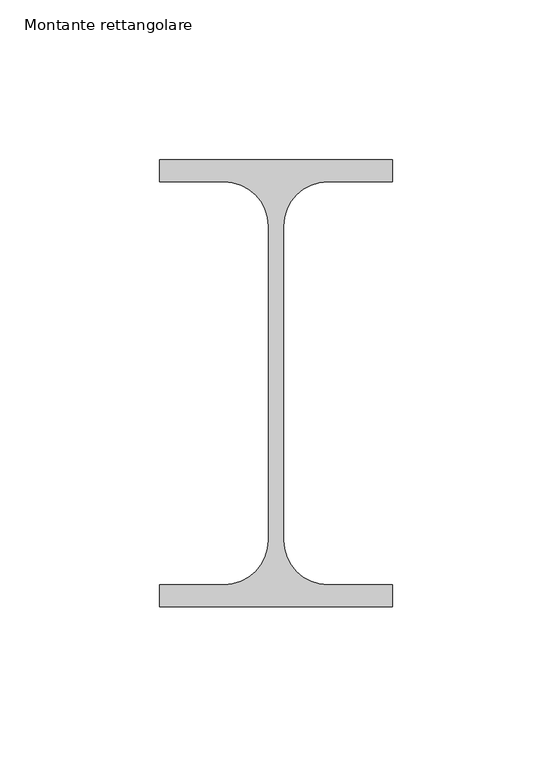
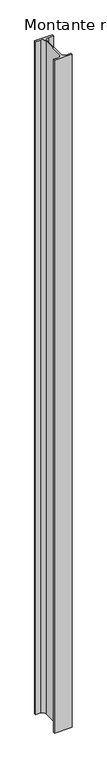
"""IFC4 building model written with IfcOpenShell, lengths in millimetres: member geometry, Montante rettangolare."""

import ifcopenshell
import ifcopenshell.guid

model = None  # the IFC model being written
_history = None  # IfcOwnerHistory: only IFC2X3 demands one
_inside = {}  # id of a spatial element -> (the spatial element, [elements in it])
_under = {}  # id of a project, library or spatial element -> (it, [spatial elements below it])
_declared = {}  # id of a project -> (the project, [libraries it declares])
_typed = {}  # id of a type object -> (the type object, [elements of that type])
_made_of = {}  # id of a material, layer set ... -> (it, [elements and type objects made of it])


def new_model(schema):
    """Start an empty IFC model of exactly this schema.

    Asked for "IFC4X3", IfcOpenShell would pick the latest addendum, in which some entities
    have other attributes; the version numbers below select the first issue.
    IFC2X3 requires an IfcOwnerHistory on every rooted entity: one is made here for all.
    """
    global model, _history
    if schema == "IFC4X3":
        model = ifcopenshell.file(schema_version=(4, 3, 0, 0))
    else:
        model = ifcopenshell.file(schema=schema)
    _inside.clear()
    _under.clear()
    _declared.clear()
    _typed.clear()
    _made_of.clear()
    _history = None
    if model.schema == "IFC2X3":
        org = make("IfcOrganization", Name="unknown")
        user = make(
            "IfcPersonAndOrganization",
            ThePerson=make("IfcPerson", FamilyName="unknown"),
            TheOrganization=org,
        )
        app = make(
            "IfcApplication",
            ApplicationDeveloper=org,
            Version="unknown",
            ApplicationFullName="unknown",
            ApplicationIdentifier="unknown",
        )
        _history = make(
            "IfcOwnerHistory",
            OwningUser=user,
            OwningApplication=app,
            ChangeAction="ADDED",
            CreationDate=0,
        )
    return model


def make(cls, **values):
    """One entity of the class cls with the attributes given. An attribute that is None is left unset."""
    return model.create_entity(
        cls, **{name: value for name, value in values.items() if value is not None}
    )


def rooted(cls, **values):
    """An entity with a GlobalId (a new one), such as an element, a storey or a relation."""
    return make(cls, GlobalId=ifcopenshell.guid.new(), OwnerHistory=_history, **values)


def si_unit(unit_type, name, prefix=None):
    """IfcSIUnit, for example si_unit("LENGTHUNIT", "METRE", prefix="MILLI")."""
    return make("IfcSIUnit", UnitType=unit_type, Prefix=prefix, Name=name)


def assignment(units):
    """IfcUnitAssignment: the units of a project."""
    return None if units is None else make("IfcUnitAssignment", Units=units)


def point(xyz):
    """IfcCartesianPoint."""
    return None if xyz is None else make("IfcCartesianPoint", Coordinates=xyz)


def direction(xyz):
    """IfcDirection."""
    return None if xyz is None else make("IfcDirection", DirectionRatios=xyz)


def frame(location, z_axis=None, x_axis=None):
    """IfcAxis2Placement3D, a coordinate frame: its origin and axes. An axis left out is left unset."""
    return make(
        "IfcAxis2Placement3D",
        Location=point(location),
        Axis=direction(z_axis),
        RefDirection=direction(x_axis),
    )


def frame_2d(location, x_axis=None):
    """IfcAxis2Placement2D, a coordinate frame in the plane: its origin and x axis."""
    return make(
        "IfcAxis2Placement2D", Location=point(location), RefDirection=direction(x_axis)
    )


def origin():
    """The frame at (0, 0, 0) with its axes left unset."""
    return frame((0.0, 0.0, 0.0))


def place(relative_to, where):
    """IfcLocalPlacement: puts the frame where relative to a parent placement (None: the world)."""
    return make(
        "IfcLocalPlacement", PlacementRelTo=relative_to, RelativePlacement=where
    )


def context(
    kind, dimensions, precision=None, world=None, true_north=None, identifier=None
):
    """IfcGeometricRepresentationContext, for example the 3D "Model" context."""
    return make(
        "IfcGeometricRepresentationContext",
        ContextIdentifier=identifier,
        ContextType=kind,
        CoordinateSpaceDimension=dimensions,
        Precision=precision,
        WorldCoordinateSystem=world,
        TrueNorth=true_north,
    )


def project(units=None, contexts=None):
    """IfcProject with its units and contexts."""
    return rooted(
        "IfcProject",
        Name="project",
        RepresentationContexts=contexts,
        UnitsInContext=assignment(units),
    )


def spatial(cls, under=None, at=None, **own):
    """A site, building, storey or space (cls), placed at a placement, below another one or the project."""
    s = rooted(cls, ObjectPlacement=at, **own)
    if under is not None:
        _under.setdefault(under.id(), (under, []))[1].append(s)
    return s


def polyline(points):
    """IfcPolyline through the points."""
    return make("IfcPolyline", Points=[point(p) for p in points])


def circle_curve(where, radius):
    """IfcCircle in the frame where."""
    return make("IfcCircle", Position=where, Radius=radius)


def trimmed(basis, trim1, trim2, sense, master):
    """IfcTrimmedCurve: the piece of a basis curve between two trims."""
    return make(
        "IfcTrimmedCurve",
        BasisCurve=basis,
        Trim1=trim1,
        Trim2=trim2,
        SenseAgreement=sense,
        MasterRepresentation=master,
    )


def segment(curve, same_sense, transition):
    """IfcCompositeCurveSegment."""
    return make(
        "IfcCompositeCurveSegment",
        Transition=transition,
        SameSense=same_sense,
        ParentCurve=curve,
    )


def composite_curve(segments, self_intersect=None):
    """IfcCompositeCurve: segments joined end to end."""
    return make("IfcCompositeCurve", Segments=segments, SelfIntersect=self_intersect)


def outline(outer, holes=None, kind="AREA"):
    """IfcArbitraryClosedProfileDef: a profile drawn as a closed curve; with holes, ...WithVoids."""
    if holes is None:
        return make("IfcArbitraryClosedProfileDef", ProfileType=kind, OuterCurve=outer)
    return make(
        "IfcArbitraryProfileDefWithVoids",
        ProfileType=kind,
        OuterCurve=outer,
        InnerCurves=holes,
    )


def extrude(swept, where, along, depth):
    """IfcExtrudedAreaSolid: the profile swept, set in the frame where, extruded along a direction by depth."""
    return make(
        "IfcExtrudedAreaSolid",
        SweptArea=swept,
        Position=where,
        ExtrudedDirection=direction(along),
        Depth=depth,
    )


def shape(context_of_items, identifier, shape_type, items):
    """IfcShapeRepresentation: the items that make up one representation, for example the "Body"."""
    return make(
        "IfcShapeRepresentation",
        ContextOfItems=context_of_items,
        RepresentationIdentifier=identifier,
        RepresentationType=shape_type,
        Items=items,
    )


def source(mapping_origin, context_of_items, identifier, shape_type, items):
    """IfcRepresentationMap: a shape defined once, which mapped items show again and again."""
    return make(
        "IfcRepresentationMap",
        MappingOrigin=mapping_origin,
        MappedRepresentation=shape(context_of_items, identifier, shape_type, items),
    )


def transform(
    local_origin,
    x_axis=None,
    y_axis=None,
    z_axis=None,
    scale=None,
    scale2=None,
    scale3=None,
    uniform=True,
):
    """IfcCartesianTransformationOperator3D, or its non-uniform kind. x_axis, y_axis, z_axis: its Axis1, 2, 3."""
    if uniform:
        return make(
            "IfcCartesianTransformationOperator3D",
            Axis1=direction(x_axis),
            Axis2=direction(y_axis),
            LocalOrigin=point(local_origin),
            Scale=scale,
            Axis3=direction(z_axis),
        )
    return make(
        "IfcCartesianTransformationOperator3DnonUniform",
        Axis1=direction(x_axis),
        Axis2=direction(y_axis),
        LocalOrigin=point(local_origin),
        Scale=scale,
        Axis3=direction(z_axis),
        Scale2=scale2,
        Scale3=scale3,
    )


def mapped(mapping_source, mapping_target):
    """IfcMappedItem: shows the shape of a source again, moved by a transform."""
    return make(
        "IfcMappedItem", MappingSource=mapping_source, MappingTarget=mapping_target
    )


def made_of(thing, what):
    """Note that an element or type object is made of a material, layer set ...; save() writes the relation."""
    if what is not None:
        _made_of.setdefault(what.id(), (what, []))[1].append(thing)
    return thing


def element(
    cls,
    number,
    at=None,
    inside=None,
    cuts=None,
    type_object=None,
    material=None,
    context=None,
    identifier="Body",
    shape_type=None,
    held_by="IfcProductDefinitionShape",
    body=None,
    shapes=None,
    **own,
):
    """One element of the class cls, such as IfcWall. Its Tag is "e" and its number.

    at: its placement. inside: the storey or other place that contains it. cuts: it is an
    opening in that element (IfcRelVoidsElement). A single representation is given by context,
    identifier, shape_type and body (its items); several are given by shapes. held_by: the class
    of the entity that holds the representations. save() writes the other relations.
    """
    e = rooted(cls, Tag="e%d" % number, ObjectPlacement=at, **own)
    if body is not None:
        shapes = [shape(context, identifier, shape_type, body)]
    if shapes is not None:
        e.Representation = make(held_by, Representations=shapes)
    if inside is not None:
        _inside.setdefault(inside.id(), (inside, []))[1].append(e)
    if cuts is not None:
        rooted(
            "IfcRelVoidsElement", RelatingBuildingElement=cuts, RelatedOpeningElement=e
        )
    if type_object is not None:
        _typed.setdefault(type_object.id(), (type_object, []))[1].append(e)
    return made_of(e, material)


def aggregate(whole, parts):
    """IfcRelAggregates: a whole, such as a stair, and the parts it consists of."""
    return rooted("IfcRelAggregates", RelatingObject=whole, RelatedObjects=parts)


def save(model, path):
    """Write the relations noted so far, then the file.

    IfcRelAggregates (storeys below a building ...), IfcRelContainedInSpatialStructure (elements
    in a storey), IfcRelDefinesByType, IfcRelAssociatesMaterial and IfcRelDeclares: one each for
    every whole, place, type object, material and project.
    """
    for whole, parts in _under.values():
        aggregate(whole, parts)
    for where, things in _inside.values():
        rooted(
            "IfcRelContainedInSpatialStructure",
            RelatedElements=things,
            RelatingStructure=where,
        )
    for kind, things in _typed.values():
        rooted("IfcRelDefinesByType", RelatedObjects=things, RelatingType=kind)
    for what, things in _made_of.values():
        rooted("IfcRelAssociatesMaterial", RelatedObjects=things, RelatingMaterial=what)
    for by, libraries in _declared.values():
        rooted("IfcRelDeclares", RelatingContext=by, RelatedDefinitions=libraries)
    model.write(path)


def montante_rettangolare_cb8553fe(model_context):
    return source(origin(), model_context, "Body", "SweptSolid", [
        extrude(outline(composite_curve([segment(polyline([(0.0, -13.1), (0.0, -20.0), (-73.0, -20.0), (-73.0, -13.1), (-52.75, -13.1)]), True, "CONTINUOUS"), segment(trimmed(circle_curve(frame_2d((-52.75, 0.8)), 13.9), [point((-52.75, -13.1))], [point((-38.85, 0.8))], True, "CARTESIAN"), True, "CONTINUOUS"), segment(polyline([(-38.85, 0.8), (-38.85, 99.2)]), True, "CONTINUOUS"), segment(trimmed(circle_curve(frame_2d((-52.75, 99.2)), 13.9), [point((-38.85, 99.2))], [point((-52.75, 113.1))], True, "CARTESIAN"), True, "CONTINUOUS"), segment(polyline([(-52.75, 113.1), (-73.0, 113.1), (-73.0, 120.0), (0.0, 120.0), (0.0, 113.1), (-20.25, 113.1)]), True, "CONTINUOUS"), segment(trimmed(circle_curve(frame_2d((-20.25, 99.2)), 13.9), [point((-20.25, 113.1))], [point((-34.15, 99.2))], True, "CARTESIAN"), True, "CONTINUOUS"), segment(polyline([(-34.15, 99.2), (-34.15, 0.8)]), True, "CONTINUOUS"), segment(trimmed(circle_curve(frame_2d((-20.25, 0.8)), 13.9), [point((-34.15, 0.8))], [point((-20.25, -13.1))], True, "CARTESIAN"), True, "CONTINUOUS"), segment(polyline([(-20.25, -13.1), (0.0, -13.1)]), True, "CONTINUOUS")], self_intersect=False)), frame((0.0, 0.0, -2922.4566247), z_axis=(0.0, 0.0, 1.0), x_axis=(1.0, 0.0, 0.0)), (0.0, 0.0, 1.0), 2922.4566247),
    ])


if __name__ == "__main__":
    model = new_model("IFC4")
    model_context = context("Model", 3, world=origin())
    ifc_project = project(units=[si_unit("LENGTHUNIT", "METRE", prefix="MILLI")], contexts=[model_context])
    site = spatial("IfcSite", under=ifc_project)
    building = spatial("IfcBuilding", under=site)
    placement = place(None, origin())
    montante_rettangolare_shape = montante_rettangolare_cb8553fe(model_context)
    element("IfcMember", 1, ObjectType="Montante rettangolare", at=placement, inside=building, context=model_context, shape_type="MappedRepresentation", body=[
        mapped(montante_rettangolare_shape, transform((0.0, 0.0, 0.0), x_axis=(1.0, 0.0, 0.0), y_axis=(0.0, 1.0, 0.0), z_axis=(0.0, 0.0, 1.0))),
    ])
    save(model, "model.ifc")
